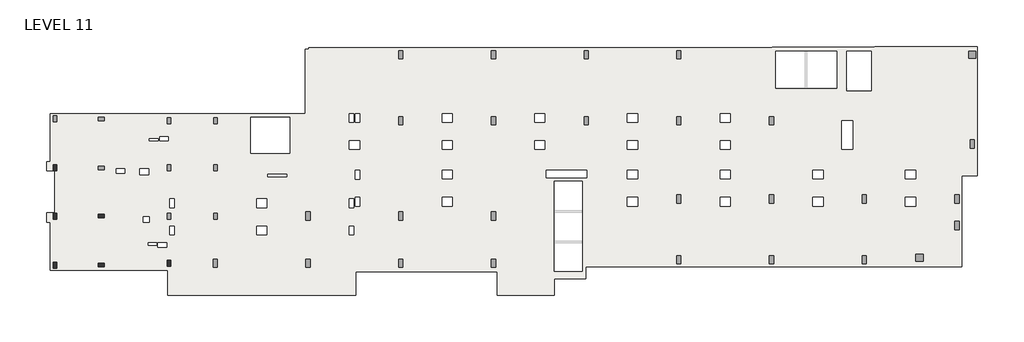
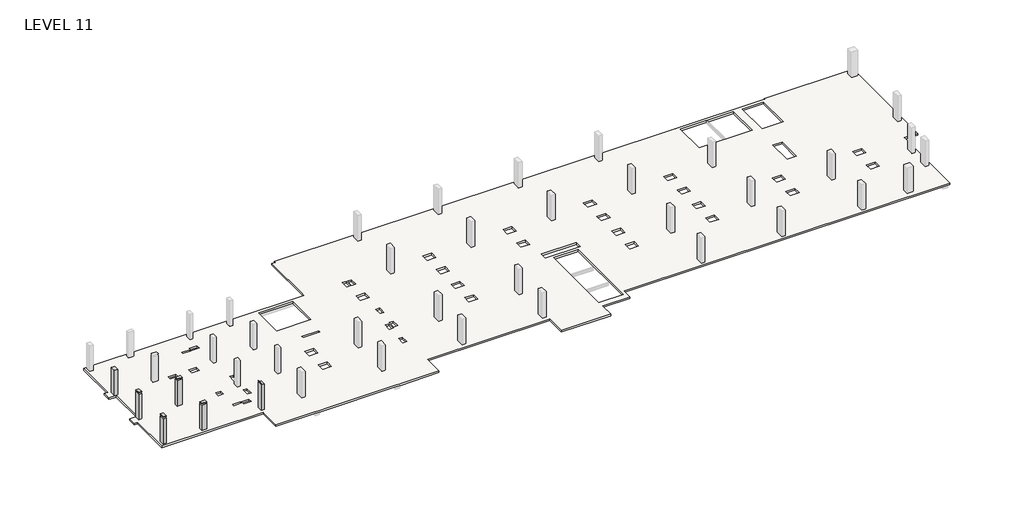
# One storey, part 1 of 2: 6 columns, 1 slab.
"""IFC4 building model written with IfcOpenShell, lengths in millimetres."""

from ifc_helpers import new_model, si_unit, frame, origin, place, context, project, spatial, polyline, outline, extrude, faceted_brep, element, save

model = new_model("IFC4")

# Units and contexts
model_context = context("Model", 3, world=origin())
ifc_project = project(units=[si_unit("LENGTHUNIT", "METRE", prefix="MILLI")], contexts=[model_context])

# Site, building, storey
site = spatial("IfcSite", under=ifc_project)
building = spatial("IfcBuilding", under=site)
storey = spatial("IfcBuildingStorey", under=building, Name="LEVEL 11", Elevation=33121.6)

# Columns
placement = place(None, origin())
element("IfcColumn", 1, ObjectType="UC Concrete-Rectangular-Column : 12 x 20", at=placement, inside=storey, context=model_context, shape_type="SweptSolid", body=[
    extrude(outline(polyline([(-12613.7610058, -25075.0962939), (-12613.7610058, -25583.0962939), (-12918.5610058, -25583.0962939), (-12918.5610058, -25075.0962939), (-12613.7610058, -25075.0962939)])), frame((0.0, 0.0, 33121.6), z_axis=(0.0, 0.0, 1.0), x_axis=(1.0, 0.0, 0.0)), (0.0, 0.0, 1.0), 2667.0),
])
element("IfcColumn", 2, ObjectType="UC Concrete-Rectangular-Column : 12 x 20", at=placement, inside=storey, context=model_context, shape_type="SweptSolid", body=[
    extrude(outline(polyline([(-12613.7610058, -29189.8962158), (-12613.7610058, -29697.8962158), (-12918.5610058, -29697.8962158), (-12918.5610058, -29189.8962158), (-12613.7610058, -29189.8962158)])), frame((0.0, 0.0, 33121.6), z_axis=(0.0, 0.0, 1.0), x_axis=(1.0, 0.0, 0.0)), (0.0, 0.0, 1.0), 2667.0),
    extrude(outline(polyline([(-12613.7610058, -29189.8962158), (-12613.7610058, -29697.8962158), (-12918.5610058, -29697.8962158), (-12918.5610058, -29189.8962158), (-12613.7610058, -29189.8962158)])), frame((0.0, 0.0, 35915.6), z_axis=(0.0, 0.0, 1.0), x_axis=(1.0, 0.0, 0.0)), (0.0, 0.0, 1.0), 50.8),
])
element("IfcColumn", 3, ObjectType="UC Concrete-Rectangular-Column : 12 x 20", at=placement, inside=storey, context=model_context, shape_type="SweptSolid", body=[
    extrude(outline(polyline([(-8549.7610058, -29596.2962158), (-9057.7610058, -29596.2962158), (-9057.7610058, -29291.4962158), (-8549.7610058, -29291.4962158), (-8549.7610058, -29596.2962158)])), frame((0.0, 0.0, 33121.6), z_axis=(0.0, 0.0, 1.0), x_axis=(1.0, 0.0, 0.0)), (0.0, 0.0, 1.0), 2667.0),
    extrude(outline(polyline([(-8549.7610058, -29596.2962158), (-9057.7610058, -29596.2962158), (-9057.7610058, -29291.4962158), (-8549.7610058, -29291.4962158), (-8549.7610058, -29596.2962158)])), frame((0.0, 0.0, 35915.6), z_axis=(0.0, 0.0, 1.0), x_axis=(1.0, 0.0, 0.0)), (0.0, 0.0, 1.0), 50.8),
])
element("IfcColumn", 4, ObjectType="UC Concrete-Rectangular-Column : 12 x 20", at=placement, inside=storey, context=model_context, shape_type="SweptSolid", body=[
    extrude(outline(polyline([(-12613.7610058, -33380.9107149), (-12613.7610058, -33888.9107149), (-12918.5610058, -33888.9107149), (-12918.5610058, -33380.9107149), (-12613.7610058, -33380.9107149)])), frame((0.0, 0.0, 33121.6), z_axis=(0.0, 0.0, 1.0), x_axis=(1.0, 0.0, 0.0)), (0.0, 0.0, 1.0), 2667.0),
    extrude(outline(polyline([(-12613.7610058, -33380.9107149), (-12613.7610058, -33888.9107149), (-12918.5610058, -33888.9107149), (-12918.5610058, -33380.9107149), (-12613.7610058, -33380.9107149)])), frame((0.0, 0.0, 35915.6), z_axis=(0.0, 0.0, 1.0), x_axis=(1.0, 0.0, 0.0)), (0.0, 0.0, 1.0), 50.8),
])
element("IfcColumn", 5, ObjectType="UC Concrete-Rectangular-Column : 12 x 20", at=placement, inside=storey, context=model_context, shape_type="SweptSolid", body=[
    extrude(outline(polyline([(-9057.7610058, -33482.5107149), (-8549.7610058, -33482.5107149), (-8549.7610058, -33787.3107149), (-9057.7610058, -33787.3107149), (-9057.7610058, -33482.5107149)])), frame((0.0, 0.0, 33121.6), z_axis=(0.0, 0.0, 1.0), x_axis=(1.0, 0.0, 0.0)), (0.0, 0.0, 1.0), 2667.0),
    extrude(outline(polyline([(-9057.7610058, -33482.5107149), (-8549.7610058, -33482.5107149), (-8549.7610058, -33787.3107149), (-9057.7610058, -33787.3107149), (-9057.7610058, -33482.5107149)])), frame((0.0, 0.0, 35915.6), z_axis=(0.0, 0.0, 1.0), x_axis=(1.0, 0.0, 0.0)), (0.0, 0.0, 1.0), 50.8),
])
element("IfcColumn", 6, ObjectType="UC Concrete-Rectangular-Column : 12 x 20", at=placement, inside=storey, context=model_context, shape_type="SweptSolid", body=[
    extrude(outline(polyline([(-2860.1610058, -33228.5107149), (-2860.1610058, -33736.5107149), (-3164.9610058, -33736.5107149), (-3164.9610058, -33228.5107149), (-2860.1610058, -33228.5107149)])), frame((0.0, 0.0, 33121.6), z_axis=(0.0, 0.0, 1.0), x_axis=(1.0, 0.0, 0.0)), (0.0, 0.0, 1.0), 2667.0),
    extrude(outline(polyline([(-3120.5110058, -33736.5107149), (-3164.9610058, -33736.5107149), (-3164.9610058, -33228.5107149), (-3120.5110058, -33228.5107149), (-3120.5110058, -33736.5107149)])), frame((0.0, 0.0, 35915.6), z_axis=(0.0, 0.0, 1.0), x_axis=(1.0, 0.0, 0.0)), (0.0, 0.0, 1.0), 50.8),
])

# Slab
element("IfcSlab", 7, ObjectType="7\" Concrete", at=placement, inside=storey, context=model_context, shape_type="Brep", body=[
    faceted_brep([(57329.9014942, -15029.4107149, 32943.8), (57329.9014942, -14953.2107149, 32943.8), (66100.8383695, -14953.2107149, 32943.8), (66100.8383695, -25989.5107149, 32943.8), (64773.6889942, -25989.5107149, 32943.8), (64773.6889942, -33774.6107149, 32943.8), (32604.5889942, -33774.6107149, 32943.8), (32604.5889942, -34790.6107149, 32943.8), (29915.3639942, -34790.6107149, 32943.8), (29915.3639942, -36213.0107149, 32943.8), (25029.0393065, -36213.0107149, 32943.8), (25029.0393065, -34219.1107149, 32943.8), (12964.0386818, -34219.1107149, 32943.8), (12964.0386818, -36213.0107149, 32943.8), (9077.8389942, -36213.0107149, 32943.8), (8671.4389942, -36213.0107149, 32943.8), (1153.0389942, -36213.0107149, 32943.8), (746.6389942, -36213.0107149, 32943.8), (-3120.5110058, -36213.0107149, 32943.8), (-3120.5110058, -34060.3310305, 32943.8), (-13155.4513218, -34060.3310305, 32943.8), (-13155.4513218, -29958.2607149, 32943.8), (-13483.7110058, -29958.2607149, 32943.8), (-13483.7110058, -29183.5607149, 32943.8), (-12766.1169468, -29183.5607149, 32943.8), (-12766.1169468, -25589.4607149, 32943.8), (-13483.7110058, -25589.4607149, 32943.8), (-13483.7110058, -24814.7607149, 32943.8), (-13155.4513218, -24814.7607149, 32943.8), (-13155.4513218, -20712.6903994, 32943.8), (797.4389942, -20712.6903994, 32943.8), (8620.6389942, -20712.6903994, 32943.8), (8620.6389942, -15197.6857149, 32943.8), (8925.4389942, -15197.6857149, 32943.8), (8925.4389942, -15054.8107149, 32943.8), (48541.5014942, -15054.8107149, 32943.8), (48541.5014942, -15029.4107149, 32943.8), (54078.7014942, -15334.2107149, 32943.8), (48846.3014942, -15334.2107149, 32943.8), (48846.3014942, -18511.7121146, 32943.8), (54078.7014942, -18511.7121146, 32943.8), (29912.1889942, -34181.7272222, 32943.8), (32299.7889942, -34181.7272222, 32943.8), (32299.7889942, -26487.2692077, 32943.8), (29912.1889942, -26487.2692077, 32943.8), (3972.4389942, -21017.4903994, 32943.8), (3972.4389942, -24095.6232149, 32943.8), (7325.2389942, -24095.6232149, 32943.8), (7325.2389942, -21017.4903994, 32943.8), (57025.1014942, -15334.2107149, 32943.8), (54933.1413578, -15334.2107149, 32943.8), (54933.1413578, -18744.1607149, 32943.8), (57025.1014942, -18744.1607149, 32943.8), (29123.2162484, -20696.7857149, 32943.8), (28250.0617399, -20696.7857149, 32943.8), (28250.0617399, -21427.0315227, 32943.8), (29123.2162484, -21427.0315227, 32943.8), (29123.2329503, -23011.3607149, 32943.8), (28250.045038, -23011.3607149, 32943.8), (28250.045038, -23744.7857149, 32943.8), (29123.2329503, -23744.7857149, 32943.8), (37048.0162484, -20696.7857149, 32943.8), (36174.8617399, -20696.7857149, 32943.8), (36174.8617399, -21427.0315227, 32943.8), (37048.0162484, -21427.0315227, 32943.8), (37048.0329503, -23011.3607149, 32943.8), (36174.845038, -23011.3607149, 32943.8), (36174.845038, -23744.7857149, 32943.8), (37048.0329503, -23744.7857149, 32943.8), (37048.0329503, -25541.8357149, 32943.8), (36174.8784418, -25541.8357149, 32943.8), (36174.8784418, -26272.0815227, 32943.8), (37048.0329503, -26272.0815227, 32943.8), (37048.0496522, -27856.4107149, 32943.8), (36174.8617399, -27856.4107149, 32943.8), (36174.8617399, -28589.8357149, 32943.8), (37048.0496522, -28589.8357149, 32943.8), (44972.8162484, -20696.7857149, 32943.8), (44099.6617399, -20696.7857149, 32943.8), (44099.6617399, -21427.0315227, 32943.8), (44972.8162484, -21427.0315227, 32943.8), (44972.8329503, -23011.3607149, 32943.8), (44099.645038, -23011.3607149, 32943.8), (44099.645038, -23744.7857149, 32943.8), (44972.8329503, -23744.7857149, 32943.8), (44972.8329503, -25541.8357149, 32943.8), (44099.6784418, -25541.8357149, 32943.8), (44099.6784418, -26272.0815227, 32943.8), (44972.8329503, -26272.0815227, 32943.8), (44972.8496522, -27856.4107149, 32943.8), (44099.6617399, -27856.4107149, 32943.8), (44099.6617399, -28589.8357149, 32943.8), (44972.8496522, -28589.8357149, 32943.8), (55421.7306924, -21315.9107149, 32943.8), (54513.6767085, -21315.9107149, 32943.8), (54513.6767085, -23754.3107149, 32943.8), (55421.7306924, -23754.3107149, 32943.8), (52897.6329503, -25541.8357149, 32943.8), (52024.4784418, -25541.8357149, 32943.8), (52024.4784418, -26272.0815227, 32943.8), (52897.6329503, -26272.0815227, 32943.8), (52897.6496522, -27856.4107149, 32943.8), (52024.4617399, -27856.4107149, 32943.8), (52024.4617399, -28589.8357149, 32943.8), (52897.6496522, -28589.8357149, 32943.8), (60822.4329503, -25541.8357149, 32943.8), (59949.2784418, -25541.8357149, 32943.8), (59949.2784418, -26272.0815227, 32943.8), (60822.4329503, -26272.0815227, 32943.8), (60822.4496522, -27856.4107149, 32943.8), (59949.2617399, -27856.4107149, 32943.8), (59949.2617399, -28589.8357149, 32943.8), (60822.4496522, -28589.8357149, 32943.8), (21198.4162484, -20696.7857149, 32943.8), (20325.2617399, -20696.7857149, 32943.8), (20325.2617399, -21427.0315227, 32943.8), (21198.4162484, -21427.0315227, 32943.8), (21198.4329503, -23011.3607149, 32943.8), (20325.245038, -23011.3607149, 32943.8), (20325.245038, -23744.7857149, 32943.8), (21198.4329503, -23744.7857149, 32943.8), (21198.4329503, -25540.2600871, 32943.8), (20325.245038, -25540.2600871, 32943.8), (20325.245038, -26273.6850871, 32943.8), (21198.4329503, -26273.6850871, 32943.8), (21198.4329503, -27856.4247435, 32943.8), (20325.245038, -27856.4247435, 32943.8), (20325.245038, -28589.8497435, 32943.8), (21198.4329503, -28589.8497435, 32943.8), (13273.6162484, -23011.3747435, 32943.8), (12400.4283362, -23011.3747435, 32943.8), (12400.4283362, -23744.7997435, 32943.8), (13273.6162484, -23744.7997435, 32943.8), (13273.6329503, -25549.7872435, 32943.8), (12898.9511818, -25549.7872435, 32943.8), (12898.9511818, -26283.2122435, 32943.8), (13273.6329503, -26283.2122435, 32943.8), (13273.6329503, -27858.0306162, 32943.8), (12898.9511818, -27858.0306162, 32943.8), (12898.9511818, -28591.4556162, 32943.8), (13273.6329503, -28591.4556162, 32943.8), (12775.1350013, -27980.26602, 32943.8), (12400.4532328, -27980.26602, 32943.8), (12400.4532328, -28713.69102, 32943.8), (12775.1350013, -28713.69102, 32943.8), (12775.1350013, -30296.4143396, 32943.8), (12400.4532328, -30296.4143396, 32943.8), (12400.4532328, -31029.8393396, 32943.8), (12775.1350013, -31029.8393396, 32943.8), (5348.8159361, -30296.4143396, 32943.8), (4475.6620523, -30296.4143396, 32943.8), (4475.6620523, -31029.8393396, 32943.8), (5348.8159361, -31029.8393396, 32943.8), (-4736.5860058, -25391.0377141, 32943.8), (-5495.4110058, -25391.0377141, 32943.8), (-5495.4110058, -25894.3063579, 32943.8), (-4736.5860058, -25894.3063579, 32943.8), (-2575.9840639, -30297.9899072, 32943.8), (-2936.3610058, -30297.9899072, 32943.8), (-2936.3610058, -31028.2357149, 32943.8), (-2575.9840639, -31028.2357149, 32943.8), (-2575.9673621, -27980.2327488, 32943.8), (-2936.3610058, -27980.2327488, 32943.8), (-2936.3610058, -28713.6577488, 32943.8), (-2575.9673621, -28713.6577488, 32943.8), (-3955.5318136, -31734.6434324, 32943.8), (-3955.5318136, -32129.9453743, 32943.8), (-3212.5860058, -32129.9453743, 32943.8), (-3212.5860058, -31734.6434324, 32943.8), (-4809.6068136, -31744.9675477, 32943.8), (-4809.6068136, -31933.1120762, 32943.8), (-4050.7818136, -31933.1120762, 32943.8), (-4050.7818136, -31744.9675477, 32943.8), (13273.6245994, -20696.7857149, 32943.8), (12898.9428309, -20696.7857149, 32943.8), (12898.9428309, -21427.0315227, 32943.8), (13273.6245994, -21427.0315227, 32943.8), (12775.1351575, -20696.7857149, 32943.8), (12400.453389, -20696.7857149, 32943.8), (12400.453389, -21427.0315227, 32943.8), (12775.1351575, -21427.0315227, 32943.8), (-4685.7818136, -22839.9093537, 32943.8), (-4685.7818136, -23025.6779974, 32943.8), (-3926.9568136, -23025.6779974, 32943.8), (-3926.9568136, -22839.9093537, 32943.8), (-5207.5557798, -29505.837636, 32943.8), (-5207.5557798, -29980.4953131, 32943.8), (-4708.0110058, -29980.4953131, 32943.8), (-4708.0110058, -29505.837636, 32943.8), (29254.9639942, -25513.2607149, 32943.8), (29254.9639942, -26182.4692077, 32943.8), (32693.4889942, -26182.4692077, 32943.8), (32693.4889942, -25513.2607149, 32943.8), (7044.9556867, -25881.5621481, 32943.8), (5407.1871152, -25881.5621481, 32943.8), (5407.1871152, -26084.7621481, 32943.8), (7044.9556867, -26084.7621481, 32943.8), (5348.8159361, -27981.0375273, 32943.8), (4475.6620523, -27981.0375273, 32943.8), (4475.6620523, -28714.4625273, 32943.8), (5348.8159361, -28714.4625273, 32943.8), (-7516.3006019, -25401.3473693, 32943.8), (-7516.3006019, -25776.0291377, 32943.8), (-6782.8756019, -25776.0291377, 32943.8), (-6782.8756019, -25401.3473693, 32943.8), (-3826.9323811, -22647.0361423, 32943.8), (-3826.9323811, -23021.7179107, 32943.8), (-3093.5073811, -23021.7179107, 32943.8), (-3093.5073811, -22647.0361423, 32943.8), (57329.9014942, -14953.2107149, 33121.6), (57329.9014942, -15029.4107149, 33121.6), (48541.5014942, -15029.4107149, 33121.6), (48541.5014942, -15054.8107149, 33121.6), (8925.4389942, -15054.8107149, 33121.6), (8925.4389942, -15197.6857149, 33121.6), (8620.6389942, -15197.6857149, 33121.6), (8620.6389942, -20712.6903994, 33121.6), (-13155.4513218, -20712.6903994, 33121.6), (-13155.4513218, -24814.7607149, 33121.6), (-13483.7110058, -24814.7607149, 33121.6), (-13483.7110058, -25589.4607149, 33121.6), (-12766.1169468, -25589.4607149, 33121.6), (-12766.1169468, -29183.5607149, 33121.6), (-13483.7110058, -29183.5607149, 33121.6), (-13483.7110058, -29958.2607149, 33121.6), (-13155.4513218, -29958.2607149, 33121.6), (-13155.4513218, -34060.3310305, 33121.6), (-3120.5110058, -34060.3310305, 33121.6), (-3120.5110058, -36213.0107149, 33121.6), (12964.0386818, -36213.0107149, 33121.6), (12964.0386818, -34219.1107149, 33121.6), (25029.0393065, -34219.1107149, 33121.6), (25029.0393065, -36213.0107149, 33121.6), (29915.3639942, -36213.0107149, 33121.6), (29915.3639942, -34790.6107149, 33121.6), (32604.5889942, -34790.6107149, 33121.6), (32604.5889942, -33774.6107149, 33121.6), (64773.6889942, -33774.6107149, 33121.6), (64773.6889942, -25989.5107149, 33121.6), (66100.8383695, -25989.5107149, 33121.6), (66100.8383695, -14953.2107149, 33121.6), (48846.3014942, -15334.2107149, 33121.6), (54078.7014942, -15334.2107149, 33121.6), (54078.7014942, -18511.7121146, 33121.6), (48846.3014942, -18511.7121146, 33121.6), (32299.7889942, -34181.7272222, 33121.6), (29912.1889942, -34181.7272222, 33121.6), (29912.1889942, -26487.2692077, 33121.6), (32299.7889942, -26487.2692077, 33121.6), (3972.4389942, -24095.6232149, 33121.6), (3972.4389942, -21017.4903994, 33121.6), (7325.2389942, -21017.4903994, 33121.6), (7325.2389942, -24095.6232149, 33121.6), (54933.1413578, -15334.2107149, 33121.6), (57025.1014942, -15334.2107149, 33121.6), (57025.1014942, -18744.1607149, 33121.6), (54933.1413578, -18744.1607149, 33121.6), (28250.0617399, -20696.7857149, 33121.6), (29123.2162484, -20696.7857149, 33121.6), (29123.2162484, -21427.0315227, 33121.6), (28250.0617399, -21427.0315227, 33121.6), (28250.045038, -23011.3607149, 33121.6), (29123.2329503, -23011.3607149, 33121.6), (29123.2329503, -23744.7857149, 33121.6), (28250.045038, -23744.7857149, 33121.6), (36174.8617399, -20696.7857149, 33121.6), (37048.0162484, -20696.7857149, 33121.6), (37048.0162484, -21427.0315227, 33121.6), (36174.8617399, -21427.0315227, 33121.6), (36174.845038, -23011.3607149, 33121.6), (37048.0329503, -23011.3607149, 33121.6), (37048.0329503, -23744.7857149, 33121.6), (36174.845038, -23744.7857149, 33121.6), (36174.8784418, -25541.8357149, 33121.6), (37048.0329503, -25541.8357149, 33121.6), (37048.0329503, -26272.0815227, 33121.6), (36174.8784418, -26272.0815227, 33121.6), (36174.8617399, -27856.4107149, 33121.6), (37048.0496522, -27856.4107149, 33121.6), (37048.0496522, -28589.8357149, 33121.6), (36174.8617399, -28589.8357149, 33121.6), (44099.6617399, -20696.7857149, 33121.6), (44972.8162484, -20696.7857149, 33121.6), (44972.8162484, -21427.0315227, 33121.6), (44099.6617399, -21427.0315227, 33121.6), (44099.645038, -23011.3607149, 33121.6), (44972.8329503, -23011.3607149, 33121.6), (44972.8329503, -23744.7857149, 33121.6), (44099.645038, -23744.7857149, 33121.6), (44099.6784418, -25541.8357149, 33121.6), (44972.8329503, -25541.8357149, 33121.6), (44972.8329503, -26272.0815227, 33121.6), (44099.6784418, -26272.0815227, 33121.6), (44099.6617399, -27856.4107149, 33121.6), (44972.8496522, -27856.4107149, 33121.6), (44972.8496522, -28589.8357149, 33121.6), (44099.6617399, -28589.8357149, 33121.6), (54513.6767085, -21315.9107149, 33121.6), (55421.7306924, -21315.9107149, 33121.6), (55421.7306924, -23754.3107149, 33121.6), (54513.6767085, -23754.3107149, 33121.6), (52024.4784418, -25541.8357149, 33121.6), (52897.6329503, -25541.8357149, 33121.6), (52897.6329503, -26272.0815227, 33121.6), (52024.4784418, -26272.0815227, 33121.6), (52024.4617399, -27856.4107149, 33121.6), (52897.6496522, -27856.4107149, 33121.6), (52897.6496522, -28589.8357149, 33121.6), (52024.4617399, -28589.8357149, 33121.6), (59949.2784418, -25541.8357149, 33121.6), (60822.4329503, -25541.8357149, 33121.6), (60822.4329503, -26272.0815227, 33121.6), (59949.2784418, -26272.0815227, 33121.6), (59949.2617399, -27856.4107149, 33121.6), (60822.4496522, -27856.4107149, 33121.6), (60822.4496522, -28589.8357149, 33121.6), (59949.2617399, -28589.8357149, 33121.6), (20325.2617399, -20696.7857149, 33121.6), (21198.4162484, -20696.7857149, 33121.6), (21198.4162484, -21427.0315227, 33121.6), (20325.2617399, -21427.0315227, 33121.6), (20325.245038, -23011.3607149, 33121.6), (21198.4329503, -23011.3607149, 33121.6), (21198.4329503, -23744.7857149, 33121.6), (20325.245038, -23744.7857149, 33121.6), (20325.245038, -25540.2600871, 33121.6), (21198.4329503, -25540.2600871, 33121.6), (21198.4329503, -26273.6850871, 33121.6), (20325.245038, -26273.6850871, 33121.6), (20325.245038, -27856.4247435, 33121.6), (21198.4329503, -27856.4247435, 33121.6), (21198.4329503, -28589.8497435, 33121.6), (20325.245038, -28589.8497435, 33121.6), (12400.4283362, -23011.3747435, 33121.6), (13273.6162484, -23011.3747435, 33121.6), (13273.6162484, -23744.7997435, 33121.6), (12400.4283362, -23744.7997435, 33121.6), (12898.9511818, -25549.7872435, 33121.6), (13273.6329503, -25549.7872435, 33121.6), (13273.6329503, -26283.2122435, 33121.6), (12898.9511818, -26283.2122435, 33121.6), (12898.9511818, -27858.0306162, 33121.6), (13273.6329503, -27858.0306162, 33121.6), (13273.6329503, -28591.4556162, 33121.6), (12898.9511818, -28591.4556162, 33121.6), (12400.4532328, -27980.26602, 33121.6), (12775.1350013, -27980.26602, 33121.6), (12775.1350013, -28713.69102, 33121.6), (12400.4532328, -28713.69102, 33121.6), (12400.4532328, -30296.4143396, 33121.6), (12775.1350013, -30296.4143396, 33121.6), (12775.1350013, -31029.8393396, 33121.6), (12400.4532328, -31029.8393396, 33121.6), (4475.6620523, -30296.4143396, 33121.6), (5348.8159361, -30296.4143396, 33121.6), (5348.8159361, -31029.8393396, 33121.6), (4475.6620523, -31029.8393396, 33121.6), (-5495.4110058, -25391.0377141, 33121.6), (-4736.5860058, -25391.0377141, 33121.6), (-4736.5860058, -25894.3063579, 33121.6), (-5495.4110058, -25894.3063579, 33121.6), (-2936.3610058, -30297.9899072, 33121.6), (-2575.9840639, -30297.9899072, 33121.6), (-2575.9840639, -31028.2357149, 33121.6), (-2936.3610058, -31028.2357149, 33121.6), (-2936.3610058, -27980.2327488, 33121.6), (-2575.9673621, -27980.2327488, 33121.6), (-2575.9673621, -28713.6577488, 33121.6), (-2936.3610058, -28713.6577488, 33121.6), (-3955.5318136, -32129.9453743, 33121.6), (-3955.5318136, -31734.6434324, 33121.6), (-3212.5860058, -31734.6434324, 33121.6), (-3212.5860058, -32129.9453743, 33121.6), (-4809.6068136, -31933.1120762, 33121.6), (-4809.6068136, -31744.9675477, 33121.6), (-4050.7818136, -31744.9675477, 33121.6), (-4050.7818136, -31933.1120762, 33121.6), (12898.9428309, -20696.7857149, 33121.6), (13273.6245994, -20696.7857149, 33121.6), (13273.6245994, -21427.0315227, 33121.6), (12898.9428309, -21427.0315227, 33121.6), (12400.453389, -20696.7857149, 33121.6), (12775.1351575, -20696.7857149, 33121.6), (12775.1351575, -21427.0315227, 33121.6), (12400.453389, -21427.0315227, 33121.6), (-4685.7818136, -23025.6779974, 33121.6), (-4685.7818136, -22839.9093537, 33121.6), (-3926.9568136, -22839.9093537, 33121.6), (-3926.9568136, -23025.6779974, 33121.6), (-5207.5557798, -29980.4953131, 33121.6), (-5207.5557798, -29505.837636, 33121.6), (-4708.0110058, -29505.837636, 33121.6), (-4708.0110058, -29980.4953131, 33121.6), (29254.9639942, -26182.4692077, 33121.6), (29254.9639942, -25513.2607149, 33121.6), (32693.4889942, -25513.2607149, 33121.6), (32693.4889942, -26182.4692077, 33121.6), (5407.1871152, -25881.5621481, 33121.6), (7044.9556867, -25881.5621481, 33121.6), (7044.9556867, -26084.7621481, 33121.6), (5407.1871152, -26084.7621481, 33121.6), (4475.6620523, -27981.0375273, 33121.6), (5348.8159361, -27981.0375273, 33121.6), (5348.8159361, -28714.4625273, 33121.6), (4475.6620523, -28714.4625273, 33121.6), (-7516.3006019, -25776.0291377, 33121.6), (-7516.3006019, -25401.3473693, 33121.6), (-6782.8756019, -25401.3473693, 33121.6), (-6782.8756019, -25776.0291377, 33121.6), (-3826.9323811, -23021.7179107, 33121.6), (-3826.9323811, -22647.0361423, 33121.6), (-3093.5073811, -22647.0361423, 33121.6), (-3093.5073811, -23021.7179107, 33121.6)], [[[0, 1, 2, 3, 4, 5, 6, 7, 8, 9, 10, 11, 12, 13, 14, 15, 16, 17, 18, 19, 20, 21, 22, 23, 24, 25, 26, 27, 28, 29, 30, 31, 32, 33, 34, 35, 36], [37, 38, 39, 40], [41, 42, 43, 44], [45, 46, 47, 48], [49, 50, 51, 52], [53, 54, 55, 56], [57, 58, 59, 60], [61, 62, 63, 64], [65, 66, 67, 68], [69, 70, 71, 72], [73, 74, 75, 76], [77, 78, 79, 80], [81, 82, 83, 84], [85, 86, 87, 88], [89, 90, 91, 92], [93, 94, 95, 96], [97, 98, 99, 100], [101, 102, 103, 104], [105, 106, 107, 108], [109, 110, 111, 112], [113, 114, 115, 116], [117, 118, 119, 120], [121, 122, 123, 124], [125, 126, 127, 128], [129, 130, 131, 132], [133, 134, 135, 136], [137, 138, 139, 140], [141, 142, 143, 144], [145, 146, 147, 148], [149, 150, 151, 152], [153, 154, 155, 156], [157, 158, 159, 160], [161, 162, 163, 164], [165, 166, 167, 168], [169, 170, 171, 172], [173, 174, 175, 176], [177, 178, 179, 180], [181, 182, 183, 184], [185, 186, 187, 188], [189, 190, 191, 192], [193, 194, 195, 196], [197, 198, 199, 200], [201, 202, 203, 204], [205, 206, 207, 208]], [[209, 210, 211, 212, 213, 214, 215, 216, 217, 218, 219, 220, 221, 222, 223, 224, 225, 226, 227, 228, 229, 230, 231, 232, 233, 234, 235, 236, 237, 238, 239, 240], [241, 242, 243, 244], [245, 246, 247, 248], [249, 250, 251, 252], [253, 254, 255, 256], [257, 258, 259, 260], [261, 262, 263, 264], [265, 266, 267, 268], [269, 270, 271, 272], [273, 274, 275, 276], [277, 278, 279, 280], [281, 282, 283, 284], [285, 286, 287, 288], [289, 290, 291, 292], [293, 294, 295, 296], [297, 298, 299, 300], [301, 302, 303, 304], [305, 306, 307, 308], [309, 310, 311, 312], [313, 314, 315, 316], [317, 318, 319, 320], [321, 322, 323, 324], [325, 326, 327, 328], [329, 330, 331, 332], [333, 334, 335, 336], [337, 338, 339, 340], [341, 342, 343, 344], [345, 346, 347, 348], [349, 350, 351, 352], [353, 354, 355, 356], [357, 358, 359, 360], [361, 362, 363, 364], [365, 366, 367, 368], [369, 370, 371, 372], [373, 374, 375, 376], [377, 378, 379, 380], [381, 382, 383, 384], [385, 386, 387, 388], [389, 390, 391, 392], [393, 394, 395, 396], [397, 398, 399, 400], [401, 402, 403, 404], [405, 406, 407, 408], [409, 410, 411, 412]], [[37, 242, 241, 38]], [[38, 241, 244, 39]], [[39, 244, 243, 40]], [[242, 37, 40, 243]], [[41, 246, 245, 42]], [[42, 245, 248, 43]], [[43, 248, 247, 44]], [[246, 41, 44, 247]], [[249, 46, 45, 250]], [[46, 249, 252, 47]], [[47, 252, 251, 48]], [[49, 254, 253, 50]], [[50, 253, 256, 51]], [[51, 256, 255, 52]], [[254, 49, 52, 255]], [[53, 258, 257, 54]], [[54, 257, 260, 55]], [[55, 260, 259, 56]], [[258, 53, 56, 259]], [[57, 262, 261, 58]], [[58, 261, 264, 59]], [[59, 264, 263, 60]], [[262, 57, 60, 263]], [[61, 266, 265, 62]], [[62, 265, 268, 63]], [[63, 268, 267, 64]], [[266, 61, 64, 267]], [[65, 270, 269, 66]], [[66, 269, 272, 67]], [[67, 272, 271, 68]], [[270, 65, 68, 271]], [[69, 274, 273, 70]], [[70, 273, 276, 71]], [[71, 276, 275, 72]], [[274, 69, 72, 275]], [[73, 278, 277, 74]], [[74, 277, 280, 75]], [[75, 280, 279, 76]], [[278, 73, 76, 279]], [[77, 282, 281, 78]], [[78, 281, 284, 79]], [[79, 284, 283, 80]], [[282, 77, 80, 283]], [[81, 286, 285, 82]], [[82, 285, 288, 83]], [[83, 288, 287, 84]], [[286, 81, 84, 287]], [[85, 290, 289, 86]], [[86, 289, 292, 87]], [[87, 292, 291, 88]], [[290, 85, 88, 291]], [[89, 294, 293, 90]], [[90, 293, 296, 91]], [[91, 296, 295, 92]], [[294, 89, 92, 295]], [[93, 298, 297, 94]], [[94, 297, 300, 95]], [[95, 300, 299, 96]], [[298, 93, 96, 299]], [[97, 302, 301, 98]], [[98, 301, 304, 99]], [[99, 304, 303, 100]], [[302, 97, 100, 303]], [[101, 306, 305, 102]], [[102, 305, 308, 103]], [[103, 308, 307, 104]], [[306, 101, 104, 307]], [[105, 310, 309, 106]], [[106, 309, 312, 107]], [[107, 312, 311, 108]], [[310, 105, 108, 311]], [[109, 314, 313, 110]], [[110, 313, 316, 111]], [[111, 316, 315, 112]], [[314, 109, 112, 315]], [[113, 318, 317, 114]], [[114, 317, 320, 115]], [[115, 320, 319, 116]], [[318, 113, 116, 319]], [[117, 322, 321, 118]], [[118, 321, 324, 119]], [[119, 324, 323, 120]], [[322, 117, 120, 323]], [[121, 326, 325, 122]], [[122, 325, 328, 123]], [[123, 328, 327, 124]], [[326, 121, 124, 327]], [[125, 330, 329, 126]], [[126, 329, 332, 127]], [[127, 332, 331, 128]], [[330, 125, 128, 331]], [[129, 334, 333, 130]], [[130, 333, 336, 131]], [[131, 336, 335, 132]], [[334, 129, 132, 335]], [[133, 338, 337, 134]], [[134, 337, 340, 135]], [[135, 340, 339, 136]], [[338, 133, 136, 339]], [[137, 342, 341, 138]], [[138, 341, 344, 139]], [[139, 344, 343, 140]], [[342, 137, 140, 343]], [[141, 346, 345, 142]], [[142, 345, 348, 143]], [[143, 348, 347, 144]], [[346, 141, 144, 347]], [[145, 350, 349, 146]], [[146, 349, 352, 147]], [[147, 352, 351, 148]], [[350, 145, 148, 351]], [[149, 354, 353, 150]], [[150, 353, 356, 151]], [[151, 356, 355, 152]], [[354, 149, 152, 355]], [[197, 402, 401, 198]], [[198, 401, 404, 199]], [[199, 404, 403, 200]], [[402, 197, 200, 403]], [[153, 358, 357, 154]], [[154, 357, 360, 155]], [[155, 360, 359, 156]], [[358, 153, 156, 359]], [[157, 362, 361, 158]], [[158, 361, 364, 159]], [[159, 364, 363, 160]], [[362, 157, 160, 363]], [[161, 366, 365, 162]], [[162, 365, 368, 163]], [[163, 368, 367, 164]], [[366, 161, 164, 367]], [[165, 370, 369, 166]], [[166, 369, 372, 167]], [[167, 372, 371, 168]], [[370, 165, 168, 371]], [[201, 406, 405, 202]], [[202, 405, 408, 203]], [[203, 408, 407, 204]], [[406, 201, 204, 407]], [[205, 410, 409, 206]], [[206, 409, 412, 207]], [[207, 412, 411, 208]], [[410, 205, 208, 411]], [[169, 374, 373, 170]], [[170, 373, 376, 171]], [[171, 376, 375, 172]], [[374, 169, 172, 375]], [[173, 378, 377, 174]], [[174, 377, 380, 175]], [[175, 380, 379, 176]], [[378, 173, 176, 379]], [[177, 382, 381, 178]], [[178, 381, 384, 179]], [[179, 384, 383, 180]], [[382, 177, 180, 383]], [[181, 386, 385, 182]], [[182, 385, 388, 183]], [[183, 388, 387, 184]], [[386, 181, 184, 387]], [[185, 390, 389, 186]], [[186, 389, 392, 187]], [[187, 392, 391, 188]], [[390, 185, 188, 391]], [[189, 394, 393, 190]], [[190, 393, 396, 191]], [[191, 396, 395, 192]], [[394, 189, 192, 395]], [[193, 398, 397, 194]], [[194, 397, 400, 195]], [[195, 400, 399, 196]], [[398, 193, 196, 399]], [[1, 0, 210, 209]], [[2, 1, 209, 240]], [[3, 2, 240, 239]], [[4, 3, 239, 238]], [[5, 4, 238, 237]], [[6, 5, 237, 236]], [[7, 6, 236, 235]], [[8, 7, 235, 234]], [[9, 8, 234, 233]], [[10, 9, 233, 232]], [[11, 10, 232, 231]], [[12, 11, 231, 230]], [[13, 12, 230, 229]], [[18, 17, 16, 15, 14, 13, 229, 228]], [[19, 18, 228, 227]], [[20, 19, 227, 226]], [[21, 20, 226, 225]], [[22, 21, 225, 224]], [[23, 22, 224, 223]], [[24, 23, 223, 222]], [[25, 24, 222, 221]], [[26, 25, 221, 220]], [[27, 26, 220, 219]], [[28, 27, 219, 218]], [[29, 28, 218, 217]], [[31, 30, 29, 217, 216]], [[32, 31, 216, 215]], [[33, 32, 215, 214]], [[34, 33, 214, 213]], [[35, 34, 213, 212]], [[36, 35, 212, 211]], [[0, 36, 211, 210]], [[250, 45, 48, 251]]]),
])

save(model, "model.ifc")
